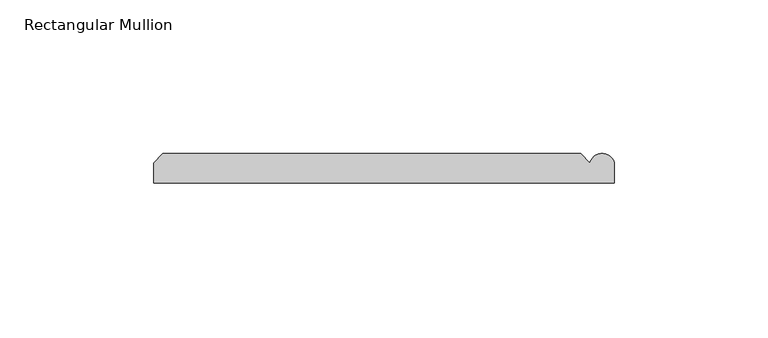
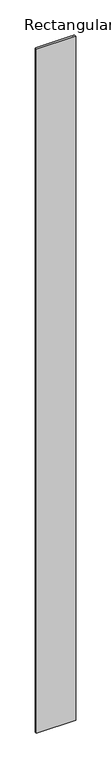
"""IFC4 building model written with IfcOpenShell, lengths in millimetres: member geometry, Rectangular Mullion."""

import ifcopenshell
import ifcopenshell.guid

model = None  # the IFC model being written
_history = None  # IfcOwnerHistory: only IFC2X3 demands one
_inside = {}  # id of a spatial element -> (the spatial element, [elements in it])
_under = {}  # id of a project, library or spatial element -> (it, [spatial elements below it])
_declared = {}  # id of a project -> (the project, [libraries it declares])
_typed = {}  # id of a type object -> (the type object, [elements of that type])
_made_of = {}  # id of a material, layer set ... -> (it, [elements and type objects made of it])


def new_model(schema):
    """Start an empty IFC model of exactly this schema.

    Asked for "IFC4X3", IfcOpenShell would pick the latest addendum, in which some entities
    have other attributes; the version numbers below select the first issue.
    IFC2X3 requires an IfcOwnerHistory on every rooted entity: one is made here for all.
    """
    global model, _history
    if schema == "IFC4X3":
        model = ifcopenshell.file(schema_version=(4, 3, 0, 0))
    else:
        model = ifcopenshell.file(schema=schema)
    _inside.clear()
    _under.clear()
    _declared.clear()
    _typed.clear()
    _made_of.clear()
    _history = None
    if model.schema == "IFC2X3":
        org = make("IfcOrganization", Name="unknown")
        user = make(
            "IfcPersonAndOrganization",
            ThePerson=make("IfcPerson", FamilyName="unknown"),
            TheOrganization=org,
        )
        app = make(
            "IfcApplication",
            ApplicationDeveloper=org,
            Version="unknown",
            ApplicationFullName="unknown",
            ApplicationIdentifier="unknown",
        )
        _history = make(
            "IfcOwnerHistory",
            OwningUser=user,
            OwningApplication=app,
            ChangeAction="ADDED",
            CreationDate=0,
        )
    return model


def make(cls, **values):
    """One entity of the class cls with the attributes given. An attribute that is None is left unset."""
    return model.create_entity(
        cls, **{name: value for name, value in values.items() if value is not None}
    )


def rooted(cls, **values):
    """An entity with a GlobalId (a new one), such as an element, a storey or a relation."""
    return make(cls, GlobalId=ifcopenshell.guid.new(), OwnerHistory=_history, **values)


def si_unit(unit_type, name, prefix=None):
    """IfcSIUnit, for example si_unit("LENGTHUNIT", "METRE", prefix="MILLI")."""
    return make("IfcSIUnit", UnitType=unit_type, Prefix=prefix, Name=name)


def assignment(units):
    """IfcUnitAssignment: the units of a project."""
    return None if units is None else make("IfcUnitAssignment", Units=units)


def point(xyz):
    """IfcCartesianPoint."""
    return None if xyz is None else make("IfcCartesianPoint", Coordinates=xyz)


def direction(xyz):
    """IfcDirection."""
    return None if xyz is None else make("IfcDirection", DirectionRatios=xyz)


def frame(location, z_axis=None, x_axis=None):
    """IfcAxis2Placement3D, a coordinate frame: its origin and axes. An axis left out is left unset."""
    return make(
        "IfcAxis2Placement3D",
        Location=point(location),
        Axis=direction(z_axis),
        RefDirection=direction(x_axis),
    )


def frame_2d(location, x_axis=None):
    """IfcAxis2Placement2D, a coordinate frame in the plane: its origin and x axis."""
    return make(
        "IfcAxis2Placement2D", Location=point(location), RefDirection=direction(x_axis)
    )


def origin():
    """The frame at (0, 0, 0) with its axes left unset."""
    return frame((0.0, 0.0, 0.0))


def place(relative_to, where):
    """IfcLocalPlacement: puts the frame where relative to a parent placement (None: the world)."""
    return make(
        "IfcLocalPlacement", PlacementRelTo=relative_to, RelativePlacement=where
    )


def context(
    kind, dimensions, precision=None, world=None, true_north=None, identifier=None
):
    """IfcGeometricRepresentationContext, for example the 3D "Model" context."""
    return make(
        "IfcGeometricRepresentationContext",
        ContextIdentifier=identifier,
        ContextType=kind,
        CoordinateSpaceDimension=dimensions,
        Precision=precision,
        WorldCoordinateSystem=world,
        TrueNorth=true_north,
    )


def project(units=None, contexts=None):
    """IfcProject with its units and contexts."""
    return rooted(
        "IfcProject",
        Name="project",
        RepresentationContexts=contexts,
        UnitsInContext=assignment(units),
    )


def spatial(cls, under=None, at=None, **own):
    """A site, building, storey or space (cls), placed at a placement, below another one or the project."""
    s = rooted(cls, ObjectPlacement=at, **own)
    if under is not None:
        _under.setdefault(under.id(), (under, []))[1].append(s)
    return s


def polyline(points):
    """IfcPolyline through the points."""
    return make("IfcPolyline", Points=[point(p) for p in points])


def circle_curve(where, radius):
    """IfcCircle in the frame where."""
    return make("IfcCircle", Position=where, Radius=radius)


def trimmed(basis, trim1, trim2, sense, master):
    """IfcTrimmedCurve: the piece of a basis curve between two trims."""
    return make(
        "IfcTrimmedCurve",
        BasisCurve=basis,
        Trim1=trim1,
        Trim2=trim2,
        SenseAgreement=sense,
        MasterRepresentation=master,
    )


def segment(curve, same_sense, transition):
    """IfcCompositeCurveSegment."""
    return make(
        "IfcCompositeCurveSegment",
        Transition=transition,
        SameSense=same_sense,
        ParentCurve=curve,
    )


def composite_curve(segments, self_intersect=None):
    """IfcCompositeCurve: segments joined end to end."""
    return make("IfcCompositeCurve", Segments=segments, SelfIntersect=self_intersect)


def outline(outer, holes=None, kind="AREA"):
    """IfcArbitraryClosedProfileDef: a profile drawn as a closed curve; with holes, ...WithVoids."""
    if holes is None:
        return make("IfcArbitraryClosedProfileDef", ProfileType=kind, OuterCurve=outer)
    return make(
        "IfcArbitraryProfileDefWithVoids",
        ProfileType=kind,
        OuterCurve=outer,
        InnerCurves=holes,
    )


def extrude(swept, where, along, depth):
    """IfcExtrudedAreaSolid: the profile swept, set in the frame where, extruded along a direction by depth."""
    return make(
        "IfcExtrudedAreaSolid",
        SweptArea=swept,
        Position=where,
        ExtrudedDirection=direction(along),
        Depth=depth,
    )


def shape(context_of_items, identifier, shape_type, items):
    """IfcShapeRepresentation: the items that make up one representation, for example the "Body"."""
    return make(
        "IfcShapeRepresentation",
        ContextOfItems=context_of_items,
        RepresentationIdentifier=identifier,
        RepresentationType=shape_type,
        Items=items,
    )


def source(mapping_origin, context_of_items, identifier, shape_type, items):
    """IfcRepresentationMap: a shape defined once, which mapped items show again and again."""
    return make(
        "IfcRepresentationMap",
        MappingOrigin=mapping_origin,
        MappedRepresentation=shape(context_of_items, identifier, shape_type, items),
    )


def transform(
    local_origin,
    x_axis=None,
    y_axis=None,
    z_axis=None,
    scale=None,
    scale2=None,
    scale3=None,
    uniform=True,
):
    """IfcCartesianTransformationOperator3D, or its non-uniform kind. x_axis, y_axis, z_axis: its Axis1, 2, 3."""
    if uniform:
        return make(
            "IfcCartesianTransformationOperator3D",
            Axis1=direction(x_axis),
            Axis2=direction(y_axis),
            LocalOrigin=point(local_origin),
            Scale=scale,
            Axis3=direction(z_axis),
        )
    return make(
        "IfcCartesianTransformationOperator3DnonUniform",
        Axis1=direction(x_axis),
        Axis2=direction(y_axis),
        LocalOrigin=point(local_origin),
        Scale=scale,
        Axis3=direction(z_axis),
        Scale2=scale2,
        Scale3=scale3,
    )


def mapped(mapping_source, mapping_target):
    """IfcMappedItem: shows the shape of a source again, moved by a transform."""
    return make(
        "IfcMappedItem", MappingSource=mapping_source, MappingTarget=mapping_target
    )


def made_of(thing, what):
    """Note that an element or type object is made of a material, layer set ...; save() writes the relation."""
    if what is not None:
        _made_of.setdefault(what.id(), (what, []))[1].append(thing)
    return thing


def element(
    cls,
    number,
    at=None,
    inside=None,
    cuts=None,
    type_object=None,
    material=None,
    context=None,
    identifier="Body",
    shape_type=None,
    held_by="IfcProductDefinitionShape",
    body=None,
    shapes=None,
    **own,
):
    """One element of the class cls, such as IfcWall. Its Tag is "e" and its number.

    at: its placement. inside: the storey or other place that contains it. cuts: it is an
    opening in that element (IfcRelVoidsElement). A single representation is given by context,
    identifier, shape_type and body (its items); several are given by shapes. held_by: the class
    of the entity that holds the representations. save() writes the other relations.
    """
    e = rooted(cls, Tag="e%d" % number, ObjectPlacement=at, **own)
    if body is not None:
        shapes = [shape(context, identifier, shape_type, body)]
    if shapes is not None:
        e.Representation = make(held_by, Representations=shapes)
    if inside is not None:
        _inside.setdefault(inside.id(), (inside, []))[1].append(e)
    if cuts is not None:
        rooted(
            "IfcRelVoidsElement", RelatingBuildingElement=cuts, RelatedOpeningElement=e
        )
    if type_object is not None:
        _typed.setdefault(type_object.id(), (type_object, []))[1].append(e)
    return made_of(e, material)


def aggregate(whole, parts):
    """IfcRelAggregates: a whole, such as a stair, and the parts it consists of."""
    return rooted("IfcRelAggregates", RelatingObject=whole, RelatedObjects=parts)


def save(model, path):
    """Write the relations noted so far, then the file.

    IfcRelAggregates (storeys below a building ...), IfcRelContainedInSpatialStructure (elements
    in a storey), IfcRelDefinesByType, IfcRelAssociatesMaterial and IfcRelDeclares: one each for
    every whole, place, type object, material and project.
    """
    for whole, parts in _under.values():
        aggregate(whole, parts)
    for where, things in _inside.values():
        rooted(
            "IfcRelContainedInSpatialStructure",
            RelatedElements=things,
            RelatingStructure=where,
        )
    for kind, things in _typed.values():
        rooted("IfcRelDefinesByType", RelatedObjects=things, RelatingType=kind)
    for what, things in _made_of.values():
        rooted("IfcRelAssociatesMaterial", RelatedObjects=things, RelatingMaterial=what)
    for by, libraries in _declared.values():
        rooted("IfcRelDeclares", RelatingContext=by, RelatedDefinitions=libraries)
    model.write(path)


def rectangular_mullion_13566159(model_context):
    return source(origin(), model_context, "Body", "SweptSolid", [
        extrude(outline(composite_curve([segment(polyline([(63.9809918, 9.5), (66.9809918, 6.5)]), True, "CONTINUOUS"), segment(trimmed(circle_curve(frame_2d((70.9809918, 5.5)), 4.1231056), [point((66.9809918, 6.5))], [point((74.9809918, 6.5))], False, "CARTESIAN"), True, "CONTINUOUS"), segment(polyline([(74.9809918, 6.5), (74.9809918, 0.0), (-75.0190082, 0.0), (-75.0190082, 6.50681), (-72.0258182, 9.5), (63.9809918, 9.5)]), True, "CONTINUOUS")], self_intersect=False)), frame((0.0, 0.0, -2745.0), z_axis=(0.0, 0.0, 1.0), x_axis=(1.0, 0.0, 0.0)), (0.0, 0.0, 1.0), 2745.0),
    ])


if __name__ == "__main__":
    model = new_model("IFC4")
    model_context = context("Model", 3, world=origin())
    ifc_project = project(units=[si_unit("LENGTHUNIT", "METRE", prefix="MILLI")], contexts=[model_context])
    site = spatial("IfcSite", under=ifc_project)
    building = spatial("IfcBuilding", under=site)
    placement = place(None, origin())
    rectangular_mullion_shape = rectangular_mullion_13566159(model_context)
    element("IfcMember", 1, ObjectType="Rectangular Mullion", at=placement, inside=building, context=model_context, shape_type="MappedRepresentation", body=[
        mapped(rectangular_mullion_shape, transform((0.0, 0.0, 0.0), x_axis=(1.0, 0.0, 0.0), y_axis=(0.0, 1.0, 0.0), z_axis=(0.0, 0.0, 1.0))),
    ])
    save(model, "model.ifc")
